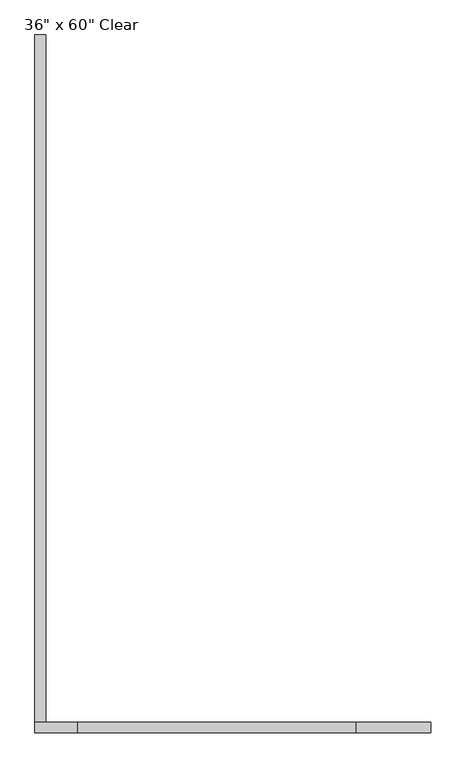
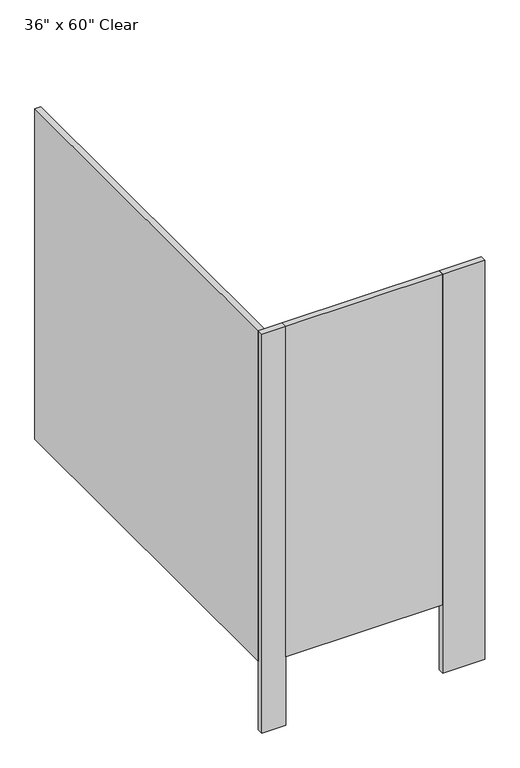
"""IFC4 building model written with IfcOpenShell, lengths in millimetres: proxy geometry."""

from ifc_helpers import new_model, si_unit, frame, origin, origin_with_axes, place, context, project, spatial, polyline, outline, extrude, source, transform, mapped, element, save


def proxy_6f0b792b(model_context):
    return source(origin(), model_context, "Body", "SweptSolid", [
        extrude(outline(polyline([(684.3031538, -1720.85), (23.9031538, -1720.85), (23.9031538, -1695.45), (684.3031538, -1695.45), (684.3031538, -1720.85)])), frame((0.0, 0.0, 304.8), z_axis=(0.0, 0.0, 1.0), x_axis=(1.0, 0.0, 0.0)), (0.0, 0.0, 1.0), 1473.2),
        extrude(outline(polyline([(23.9031538, -1720.85), (-77.6968462, -1720.85), (-77.6968462, -1695.45), (23.9031538, -1695.45), (23.9031538, -1720.85)])), origin_with_axes(), (0.0, 0.0, 1.0), 1778.0),
        extrude(outline(polyline([(862.1031538, -1720.85), (684.3031538, -1720.85), (684.3031538, -1695.45), (862.1031538, -1695.45), (862.1031538, -1720.85)])), origin_with_axes(), (0.0, 0.0, 1.0), 1778.0),
        extrude(outline(polyline([(-77.6968462, -1695.45), (-77.6968462, -63.5), (-52.2968462, -63.5), (-52.2968462, -1695.45), (-77.6968462, -1695.45)])), frame((0.0, 0.0, 304.8), z_axis=(0.0, 0.0, 1.0), x_axis=(1.0, 0.0, 0.0)), (0.0, 0.0, 1.0), 1473.2),
    ])


if __name__ == "__main__":
    model = new_model("IFC4")
    model_context = context("Model", 3, world=origin())
    ifc_project = project(units=[si_unit("LENGTHUNIT", "METRE", prefix="MILLI")], contexts=[model_context])
    site = spatial("IfcSite", under=ifc_project)
    building = spatial("IfcBuilding", under=site)
    placement = place(None, origin())
    proxy_shape = proxy_6f0b792b(model_context)
    element("IfcBuildingElementProxy", 1, Name="36\" x 60\" Clear", ObjectType="36\" x 60\" Clear", at=placement, inside=building, context=model_context, shape_type="MappedRepresentation", body=[
        mapped(proxy_shape, transform((0.0, 0.0, 0.0), x_axis=(1.0, 0.0, 0.0), y_axis=(0.0, 1.0, 0.0), z_axis=(0.0, 0.0, 1.0))),
    ])
    save(model, "model.ifc")
